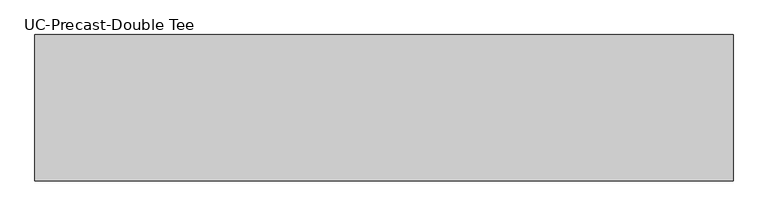
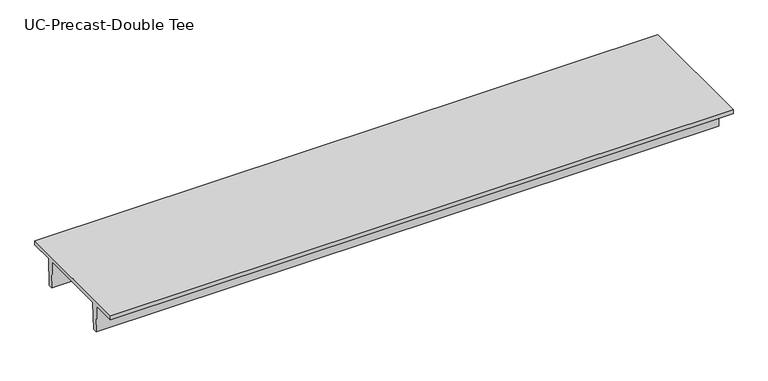
"""IFC4 building model written with IfcOpenShell, lengths in millimetres: beam geometry, UC-Precast-Double Tee."""

from ifc_helpers import new_model, si_unit, frame, origin, place, context, project, spatial, polyline, outline, extrude, source, transform, mapped, element, save


def uc_precast_double_tee_92a6e293(model_context):
    return source(origin(), model_context, "Body", "SweptSolid", [
        extrude(outline(polyline([(1549.4, 381.0), (1549.4, 279.4), (990.6, 279.4), (965.2, -381.0), (863.6, -381.0), (838.2, 279.4), (-838.2, 279.4), (-863.6, -381.0), (-965.2, -381.0), (-990.6, 279.4), (-1549.4, 279.4), (-1549.4, 381.0), (1549.4, 381.0)])), frame((-7353.3, 0.0, 0.0), z_axis=(1.0, 0.0, 0.0), x_axis=(0.0, 1.0, 0.0)), (0.0, 0.0, 1.0), 14779.0657187),
    ])


if __name__ == "__main__":
    model = new_model("IFC4")
    model_context = context("Model", 3, world=origin())
    ifc_project = project(units=[si_unit("LENGTHUNIT", "METRE", prefix="MILLI")], contexts=[model_context])
    site = spatial("IfcSite", under=ifc_project)
    building = spatial("IfcBuilding", under=site)
    placement = place(None, origin())
    uc_precast_double_tee_shape = uc_precast_double_tee_92a6e293(model_context)
    element("IfcBeam", 1, ObjectType="UC-Precast-Double Tee", at=placement, inside=building, context=model_context, shape_type="MappedRepresentation", body=[
        mapped(uc_precast_double_tee_shape, transform((0.0, 0.0, 0.0), x_axis=(1.0, 0.0, 0.0), y_axis=(0.0, 1.0, 0.0), z_axis=(0.0, 0.0, 1.0))),
    ])
    save(model, "model.ifc")
